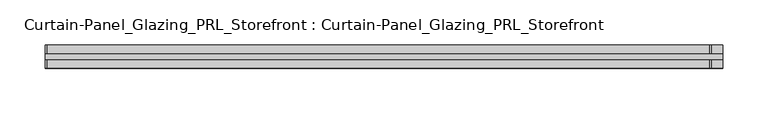
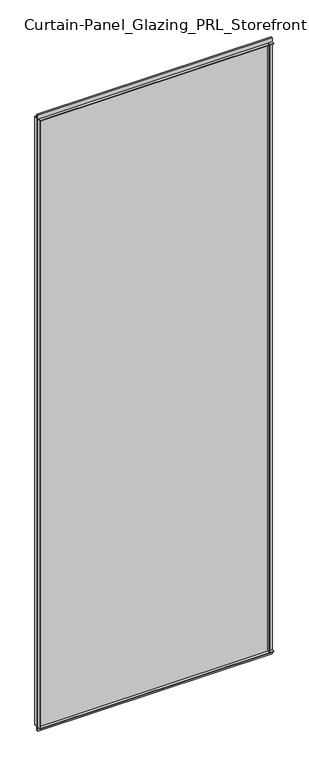
"""IFC4 building model written with IfcOpenShell, lengths in millimetres: plate geometry, Curtain-Panel_Glazing_PRL_Storefront : Curtain-Panel_Glazing_PRL_Storefront."""

import ifcopenshell
import ifcopenshell.guid

model = None  # the IFC model being written
_history = None  # IfcOwnerHistory: only IFC2X3 demands one
_inside = {}  # id of a spatial element -> (the spatial element, [elements in it])
_under = {}  # id of a project, library or spatial element -> (it, [spatial elements below it])
_declared = {}  # id of a project -> (the project, [libraries it declares])
_typed = {}  # id of a type object -> (the type object, [elements of that type])
_made_of = {}  # id of a material, layer set ... -> (it, [elements and type objects made of it])


def new_model(schema):
    """Start an empty IFC model of exactly this schema.

    Asked for "IFC4X3", IfcOpenShell would pick the latest addendum, in which some entities
    have other attributes; the version numbers below select the first issue.
    IFC2X3 requires an IfcOwnerHistory on every rooted entity: one is made here for all.
    """
    global model, _history
    if schema == "IFC4X3":
        model = ifcopenshell.file(schema_version=(4, 3, 0, 0))
    else:
        model = ifcopenshell.file(schema=schema)
    _inside.clear()
    _under.clear()
    _declared.clear()
    _typed.clear()
    _made_of.clear()
    _history = None
    if model.schema == "IFC2X3":
        org = make("IfcOrganization", Name="unknown")
        user = make(
            "IfcPersonAndOrganization",
            ThePerson=make("IfcPerson", FamilyName="unknown"),
            TheOrganization=org,
        )
        app = make(
            "IfcApplication",
            ApplicationDeveloper=org,
            Version="unknown",
            ApplicationFullName="unknown",
            ApplicationIdentifier="unknown",
        )
        _history = make(
            "IfcOwnerHistory",
            OwningUser=user,
            OwningApplication=app,
            ChangeAction="ADDED",
            CreationDate=0,
        )
    return model


def make(cls, **values):
    """One entity of the class cls with the attributes given. An attribute that is None is left unset."""
    return model.create_entity(
        cls, **{name: value for name, value in values.items() if value is not None}
    )


def rooted(cls, **values):
    """An entity with a GlobalId (a new one), such as an element, a storey or a relation."""
    return make(cls, GlobalId=ifcopenshell.guid.new(), OwnerHistory=_history, **values)


def si_unit(unit_type, name, prefix=None):
    """IfcSIUnit, for example si_unit("LENGTHUNIT", "METRE", prefix="MILLI")."""
    return make("IfcSIUnit", UnitType=unit_type, Prefix=prefix, Name=name)


def assignment(units):
    """IfcUnitAssignment: the units of a project."""
    return None if units is None else make("IfcUnitAssignment", Units=units)


def point(xyz):
    """IfcCartesianPoint."""
    return None if xyz is None else make("IfcCartesianPoint", Coordinates=xyz)


def direction(xyz):
    """IfcDirection."""
    return None if xyz is None else make("IfcDirection", DirectionRatios=xyz)


def frame(location, z_axis=None, x_axis=None):
    """IfcAxis2Placement3D, a coordinate frame: its origin and axes. An axis left out is left unset."""
    return make(
        "IfcAxis2Placement3D",
        Location=point(location),
        Axis=direction(z_axis),
        RefDirection=direction(x_axis),
    )


def origin():
    """The frame at (0, 0, 0) with its axes left unset."""
    return frame((0.0, 0.0, 0.0))


def origin_with_axes():
    """The frame at (0, 0, 0) with the z axis (0, 0, 1) and the x axis (1, 0, 0) written out."""
    return frame((0.0, 0.0, 0.0), z_axis=(0.0, 0.0, 1.0), x_axis=(1.0, 0.0, 0.0))


def place(relative_to, where):
    """IfcLocalPlacement: puts the frame where relative to a parent placement (None: the world)."""
    return make(
        "IfcLocalPlacement", PlacementRelTo=relative_to, RelativePlacement=where
    )


def context(
    kind, dimensions, precision=None, world=None, true_north=None, identifier=None
):
    """IfcGeometricRepresentationContext, for example the 3D "Model" context."""
    return make(
        "IfcGeometricRepresentationContext",
        ContextIdentifier=identifier,
        ContextType=kind,
        CoordinateSpaceDimension=dimensions,
        Precision=precision,
        WorldCoordinateSystem=world,
        TrueNorth=true_north,
    )


def project(units=None, contexts=None):
    """IfcProject with its units and contexts."""
    return rooted(
        "IfcProject",
        Name="project",
        RepresentationContexts=contexts,
        UnitsInContext=assignment(units),
    )


def spatial(cls, under=None, at=None, **own):
    """A site, building, storey or space (cls), placed at a placement, below another one or the project."""
    s = rooted(cls, ObjectPlacement=at, **own)
    if under is not None:
        _under.setdefault(under.id(), (under, []))[1].append(s)
    return s


def polyline(points):
    """IfcPolyline through the points."""
    return make("IfcPolyline", Points=[point(p) for p in points])


def outline(outer, holes=None, kind="AREA"):
    """IfcArbitraryClosedProfileDef: a profile drawn as a closed curve; with holes, ...WithVoids."""
    if holes is None:
        return make("IfcArbitraryClosedProfileDef", ProfileType=kind, OuterCurve=outer)
    return make(
        "IfcArbitraryProfileDefWithVoids",
        ProfileType=kind,
        OuterCurve=outer,
        InnerCurves=holes,
    )


def extrude(swept, where, along, depth):
    """IfcExtrudedAreaSolid: the profile swept, set in the frame where, extruded along a direction by depth."""
    return make(
        "IfcExtrudedAreaSolid",
        SweptArea=swept,
        Position=where,
        ExtrudedDirection=direction(along),
        Depth=depth,
    )


def shape(context_of_items, identifier, shape_type, items):
    """IfcShapeRepresentation: the items that make up one representation, for example the "Body"."""
    return make(
        "IfcShapeRepresentation",
        ContextOfItems=context_of_items,
        RepresentationIdentifier=identifier,
        RepresentationType=shape_type,
        Items=items,
    )


def source(mapping_origin, context_of_items, identifier, shape_type, items):
    """IfcRepresentationMap: a shape defined once, which mapped items show again and again."""
    return make(
        "IfcRepresentationMap",
        MappingOrigin=mapping_origin,
        MappedRepresentation=shape(context_of_items, identifier, shape_type, items),
    )


def transform(
    local_origin,
    x_axis=None,
    y_axis=None,
    z_axis=None,
    scale=None,
    scale2=None,
    scale3=None,
    uniform=True,
):
    """IfcCartesianTransformationOperator3D, or its non-uniform kind. x_axis, y_axis, z_axis: its Axis1, 2, 3."""
    if uniform:
        return make(
            "IfcCartesianTransformationOperator3D",
            Axis1=direction(x_axis),
            Axis2=direction(y_axis),
            LocalOrigin=point(local_origin),
            Scale=scale,
            Axis3=direction(z_axis),
        )
    return make(
        "IfcCartesianTransformationOperator3DnonUniform",
        Axis1=direction(x_axis),
        Axis2=direction(y_axis),
        LocalOrigin=point(local_origin),
        Scale=scale,
        Axis3=direction(z_axis),
        Scale2=scale2,
        Scale3=scale3,
    )


def mapped(mapping_source, mapping_target):
    """IfcMappedItem: shows the shape of a source again, moved by a transform."""
    return make(
        "IfcMappedItem", MappingSource=mapping_source, MappingTarget=mapping_target
    )


def made_of(thing, what):
    """Note that an element or type object is made of a material, layer set ...; save() writes the relation."""
    if what is not None:
        _made_of.setdefault(what.id(), (what, []))[1].append(thing)
    return thing


def element(
    cls,
    number,
    at=None,
    inside=None,
    cuts=None,
    type_object=None,
    material=None,
    context=None,
    identifier="Body",
    shape_type=None,
    held_by="IfcProductDefinitionShape",
    body=None,
    shapes=None,
    **own,
):
    """One element of the class cls, such as IfcWall. Its Tag is "e" and its number.

    at: its placement. inside: the storey or other place that contains it. cuts: it is an
    opening in that element (IfcRelVoidsElement). A single representation is given by context,
    identifier, shape_type and body (its items); several are given by shapes. held_by: the class
    of the entity that holds the representations. save() writes the other relations.
    """
    e = rooted(cls, Tag="e%d" % number, ObjectPlacement=at, **own)
    if body is not None:
        shapes = [shape(context, identifier, shape_type, body)]
    if shapes is not None:
        e.Representation = make(held_by, Representations=shapes)
    if inside is not None:
        _inside.setdefault(inside.id(), (inside, []))[1].append(e)
    if cuts is not None:
        rooted(
            "IfcRelVoidsElement", RelatingBuildingElement=cuts, RelatedOpeningElement=e
        )
    if type_object is not None:
        _typed.setdefault(type_object.id(), (type_object, []))[1].append(e)
    return made_of(e, material)


def aggregate(whole, parts):
    """IfcRelAggregates: a whole, such as a stair, and the parts it consists of."""
    return rooted("IfcRelAggregates", RelatingObject=whole, RelatedObjects=parts)


def save(model, path):
    """Write the relations noted so far, then the file.

    IfcRelAggregates (storeys below a building ...), IfcRelContainedInSpatialStructure (elements
    in a storey), IfcRelDefinesByType, IfcRelAssociatesMaterial and IfcRelDeclares: one each for
    every whole, place, type object, material and project.
    """
    for whole, parts in _under.values():
        aggregate(whole, parts)
    for where, things in _inside.values():
        rooted(
            "IfcRelContainedInSpatialStructure",
            RelatedElements=things,
            RelatingStructure=where,
        )
    for kind, things in _typed.values():
        rooted("IfcRelDefinesByType", RelatedObjects=things, RelatingType=kind)
    for what, things in _made_of.values():
        rooted("IfcRelAssociatesMaterial", RelatedObjects=things, RelatingMaterial=what)
    for by, libraries in _declared.values():
        rooted("IfcRelDeclares", RelatingContext=by, RelatedDefinitions=libraries)
    model.write(path)


def curtain_panel_glazing_prl_storefront_curtain_panel_glazing_3c688e27(model_context):
    return source(origin(), model_context, "Body", "SweptSolid", [
        extrude(outline(polyline([(422.275, 12.7), (422.275, 3.175), (420.6875, 3.175), (420.6875, 12.7), (422.275, 12.7)])), frame((0.0, 0.0, 12.7), z_axis=(0.0, 0.0, 1.0), x_axis=(1.0, 0.0, 0.0)), (0.0, 0.0, 1.0), 2047.08125),
        extrude(outline(polyline([(422.275, -12.7), (420.6875, -12.7), (420.6875, -3.175), (422.275, -3.175), (422.275, -12.7)])), frame((0.0, 0.0, 12.7), z_axis=(0.0, 0.0, 1.0), x_axis=(1.0, 0.0, 0.0)), (0.0, 0.0, 1.0), 2047.08125),
        extrude(outline(polyline([(-311.15, 12.7), (-309.5625, 12.7), (-309.5625, 3.175), (-311.15, 3.175), (-311.15, 12.7)])), frame((0.0, 0.0, 12.7), z_axis=(0.0, 0.0, 1.0), x_axis=(1.0, 0.0, 0.0)), (0.0, 0.0, 1.0), 2047.08125),
        extrude(outline(polyline([(-311.15, -12.7), (-311.15, -3.175), (-309.5625, -3.175), (-309.5625, -12.7), (-311.15, -12.7)])), frame((0.0, 0.0, 12.7), z_axis=(0.0, 0.0, 1.0), x_axis=(1.0, 0.0, 0.0)), (0.0, 0.0, 1.0), 2047.08125),
        extrude(outline(polyline([(434.975, -3.175), (-311.15, -3.175), (-311.15, 3.175), (434.975, 3.175), (434.975, -3.175)])), origin_with_axes(), (0.0, 0.0, 1.0), 2072.48125),
        extrude(outline(polyline([(-311.15, 12.7), (434.975, 12.7), (434.975, 3.175), (-311.15, 3.175), (-311.15, 12.7)])), frame((0.0, 0.0, 2058.19375), z_axis=(0.0, 0.0, 1.0), x_axis=(1.0, 0.0, 0.0)), (0.0, 0.0, 1.0), 1.5875),
        extrude(outline(polyline([(-311.15, -12.7), (-311.15, -3.175), (434.975, -3.175), (434.975, -12.7), (-311.15, -12.7)])), frame((0.0, 0.0, 2058.19375), z_axis=(0.0, 0.0, 1.0), x_axis=(1.0, 0.0, 0.0)), (0.0, 0.0, 1.0), 1.5875),
        extrude(outline(polyline([(-311.15, 12.7), (434.975, 12.7), (434.975, 3.175), (-311.15, 3.175), (-311.15, 12.7)])), frame((0.0, 0.0, 12.7), z_axis=(0.0, 0.0, 1.0), x_axis=(1.0, 0.0, 0.0)), (0.0, 0.0, 1.0), 1.5875),
        extrude(outline(polyline([(-311.15, -12.7), (-311.15, -3.175), (434.975, -3.175), (434.975, -12.7), (-311.15, -12.7)])), frame((0.0, 0.0, 12.7), z_axis=(0.0, 0.0, 1.0), x_axis=(1.0, 0.0, 0.0)), (0.0, 0.0, 1.0), 1.5875),
    ])


if __name__ == "__main__":
    model = new_model("IFC4")
    model_context = context("Model", 3, world=origin())
    ifc_project = project(units=[si_unit("LENGTHUNIT", "METRE", prefix="MILLI")], contexts=[model_context])
    site = spatial("IfcSite", under=ifc_project)
    building = spatial("IfcBuilding", under=site)
    placement = place(None, origin())
    curtain_panel_glazing_prl_storefront_curtain_panel_glazing_shape = curtain_panel_glazing_prl_storefront_curtain_panel_glazing_3c688e27(model_context)
    element("IfcPlate", 1, ObjectType="Curtain-Panel_Glazing_PRL_Storefront : Curtain-Panel_Glazing_PRL_Storefront", at=placement, inside=building, context=model_context, shape_type="MappedRepresentation", body=[
        mapped(curtain_panel_glazing_prl_storefront_curtain_panel_glazing_shape, transform((0.0, 0.0, 0.0), x_axis=(1.0, 0.0, 0.0), y_axis=(0.0, 1.0, 0.0), z_axis=(0.0, 0.0, 1.0))),
    ])
    save(model, "model.ifc")
